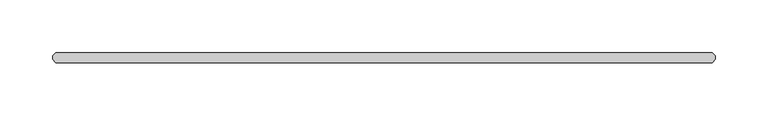
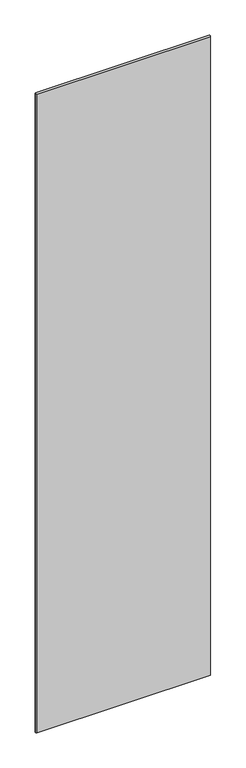
"""IFC4 building model written with IfcOpenShell, lengths in millimetres: plate geometry."""

from ifc_helpers import new_model, si_unit, origin, origin_with_axes, place, context, project, spatial, polyline, outline, extrude, source, transform, mapped, element, save


def plate_8de2f332(model_context):
    return source(origin(), model_context, "Body", "SweptSolid", [
        extrude(outline(polyline([(311.546875, -34.925), (-311.546875, -34.925), (-314.721875, -31.75), (-314.721875, -28.575), (-311.546875, -25.4), (311.546875, -25.4), (314.721875, -28.575), (314.721875, -31.75), (311.546875, -34.925)])), origin_with_axes(), (0.0, 0.0, 1.0), 2428.7789267),
    ])


if __name__ == "__main__":
    model = new_model("IFC4")
    model_context = context("Model", 3, world=origin())
    ifc_project = project(units=[si_unit("LENGTHUNIT", "METRE", prefix="MILLI")], contexts=[model_context])
    site = spatial("IfcSite", under=ifc_project)
    building = spatial("IfcBuilding", under=site)
    placement = place(None, origin())
    plate_shape = plate_8de2f332(model_context)
    element("IfcPlate", 1, at=placement, inside=building, context=model_context, shape_type="MappedRepresentation", body=[
        mapped(plate_shape, transform((0.0, 0.0, 0.0), x_axis=(1.0, 0.0, 0.0), y_axis=(0.0, 1.0, 0.0), z_axis=(0.0, 0.0, 1.0))),
    ])
    save(model, "model.ifc")
